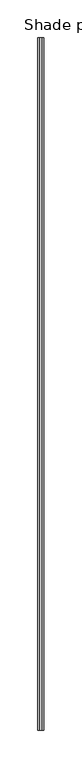
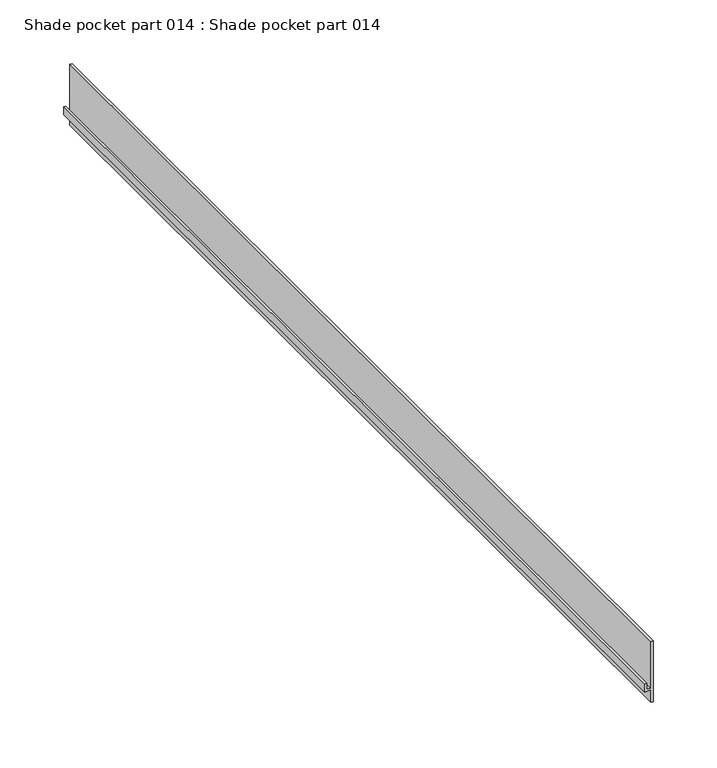
"""IFC4 building model written with IfcOpenShell, lengths in millimetres: proxy geometry, Shade pocket part 014 : Shade pocket part 014."""

from ifc_helpers import new_model, si_unit, frame, origin, place, context, project, spatial, polyline, outline, extrude, source, transform, mapped, element, save


def shade_pocket_part_014_shade_pocket_part_014_4d48d653(model_context):
    return source(origin(), model_context, "Body", "SweptSolid", [
        extrude(outline(polyline([(3064.3835821, 37535.952762), (3064.3835821, 37538.2207994), (3122.6508629, 37538.2207994), (3122.6508629, 37535.9702926), (3078.0573386, 37535.9702926), (3078.0573386, 37532.3710935), (3083.8829437, 37532.3710935), (3083.8829437, 37530.2997672), (3076.2880808, 37530.2997672), (3076.2880808, 37535.952762), (3064.3835821, 37535.952762)])), frame((0.0, -19576.8262368, 0.0), z_axis=(0.0, 1.0, 0.0), x_axis=(0.0, 0.0, 1.0)), (0.0, 0.0, 1.0), 914.4),
    ])


if __name__ == "__main__":
    model = new_model("IFC4")
    model_context = context("Model", 3, world=origin())
    ifc_project = project(units=[si_unit("LENGTHUNIT", "METRE", prefix="MILLI")], contexts=[model_context])
    site = spatial("IfcSite", under=ifc_project)
    building = spatial("IfcBuilding", under=site)
    placement = place(None, origin())
    shade_pocket_part_014_shade_pocket_part_014_shape = shade_pocket_part_014_shade_pocket_part_014_4d48d653(model_context)
    element("IfcBuildingElementProxy", 1, Name="Shade pocket part 014 : Shade pocket part 014", ObjectType="Shade pocket part 014 : Shade pocket part 014", at=placement, inside=building, context=model_context, shape_type="MappedRepresentation", body=[
        mapped(shade_pocket_part_014_shade_pocket_part_014_shape, transform((0.0, 0.0, 0.0), x_axis=(1.0, 0.0, 0.0), y_axis=(0.0, 1.0, 0.0), z_axis=(0.0, 0.0, 1.0))),
    ])
    save(model, "model.ifc")
